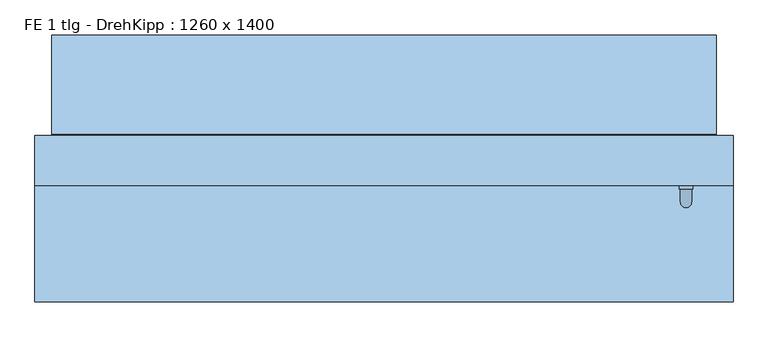
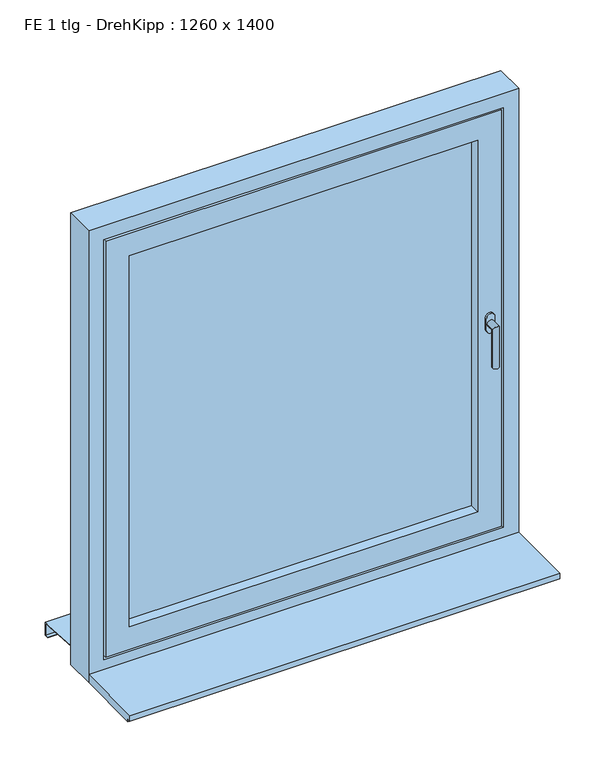
"""IFC4 building model written with IfcOpenShell, lengths in millimetres: window geometry, FE 1 tlg - DrehKipp : 1260 x 1400."""

import ifcopenshell
import ifcopenshell.guid

model = None  # the IFC model being written
_history = None  # IfcOwnerHistory: only IFC2X3 demands one
_inside = {}  # id of a spatial element -> (the spatial element, [elements in it])
_under = {}  # id of a project, library or spatial element -> (it, [spatial elements below it])
_declared = {}  # id of a project -> (the project, [libraries it declares])
_typed = {}  # id of a type object -> (the type object, [elements of that type])
_made_of = {}  # id of a material, layer set ... -> (it, [elements and type objects made of it])


def new_model(schema):
    """Start an empty IFC model of exactly this schema.

    Asked for "IFC4X3", IfcOpenShell would pick the latest addendum, in which some entities
    have other attributes; the version numbers below select the first issue.
    IFC2X3 requires an IfcOwnerHistory on every rooted entity: one is made here for all.
    """
    global model, _history
    if schema == "IFC4X3":
        model = ifcopenshell.file(schema_version=(4, 3, 0, 0))
    else:
        model = ifcopenshell.file(schema=schema)
    _inside.clear()
    _under.clear()
    _declared.clear()
    _typed.clear()
    _made_of.clear()
    _history = None
    if model.schema == "IFC2X3":
        org = make("IfcOrganization", Name="unknown")
        user = make(
            "IfcPersonAndOrganization",
            ThePerson=make("IfcPerson", FamilyName="unknown"),
            TheOrganization=org,
        )
        app = make(
            "IfcApplication",
            ApplicationDeveloper=org,
            Version="unknown",
            ApplicationFullName="unknown",
            ApplicationIdentifier="unknown",
        )
        _history = make(
            "IfcOwnerHistory",
            OwningUser=user,
            OwningApplication=app,
            ChangeAction="ADDED",
            CreationDate=0,
        )
    return model


def make(cls, **values):
    """One entity of the class cls with the attributes given. An attribute that is None is left unset."""
    return model.create_entity(
        cls, **{name: value for name, value in values.items() if value is not None}
    )


def rooted(cls, **values):
    """An entity with a GlobalId (a new one), such as an element, a storey or a relation."""
    return make(cls, GlobalId=ifcopenshell.guid.new(), OwnerHistory=_history, **values)


def si_unit(unit_type, name, prefix=None):
    """IfcSIUnit, for example si_unit("LENGTHUNIT", "METRE", prefix="MILLI")."""
    return make("IfcSIUnit", UnitType=unit_type, Prefix=prefix, Name=name)


def assignment(units):
    """IfcUnitAssignment: the units of a project."""
    return None if units is None else make("IfcUnitAssignment", Units=units)


def point(xyz):
    """IfcCartesianPoint."""
    return None if xyz is None else make("IfcCartesianPoint", Coordinates=xyz)


def direction(xyz):
    """IfcDirection."""
    return None if xyz is None else make("IfcDirection", DirectionRatios=xyz)


def frame(location, z_axis=None, x_axis=None):
    """IfcAxis2Placement3D, a coordinate frame: its origin and axes. An axis left out is left unset."""
    return make(
        "IfcAxis2Placement3D",
        Location=point(location),
        Axis=direction(z_axis),
        RefDirection=direction(x_axis),
    )


def origin():
    """The frame at (0, 0, 0) with its axes left unset."""
    return frame((0.0, 0.0, 0.0))


def place(relative_to, where):
    """IfcLocalPlacement: puts the frame where relative to a parent placement (None: the world)."""
    return make(
        "IfcLocalPlacement", PlacementRelTo=relative_to, RelativePlacement=where
    )


def context(
    kind, dimensions, precision=None, world=None, true_north=None, identifier=None
):
    """IfcGeometricRepresentationContext, for example the 3D "Model" context."""
    return make(
        "IfcGeometricRepresentationContext",
        ContextIdentifier=identifier,
        ContextType=kind,
        CoordinateSpaceDimension=dimensions,
        Precision=precision,
        WorldCoordinateSystem=world,
        TrueNorth=true_north,
    )


def project(units=None, contexts=None):
    """IfcProject with its units and contexts."""
    return rooted(
        "IfcProject",
        Name="project",
        RepresentationContexts=contexts,
        UnitsInContext=assignment(units),
    )


def spatial(cls, under=None, at=None, **own):
    """A site, building, storey or space (cls), placed at a placement, below another one or the project."""
    s = rooted(cls, ObjectPlacement=at, **own)
    if under is not None:
        _under.setdefault(under.id(), (under, []))[1].append(s)
    return s


def polyline(points):
    """IfcPolyline through the points."""
    return make("IfcPolyline", Points=[point(p) for p in points])


def circle_curve(where, radius):
    """IfcCircle in the frame where."""
    return make("IfcCircle", Position=where, Radius=radius)


def ellipse_curve(where, semi_axis1, semi_axis2):
    """IfcEllipse in the frame where."""
    return make(
        "IfcEllipse", Position=where, SemiAxis1=semi_axis1, SemiAxis2=semi_axis2
    )


def outline(outer, holes=None, kind="AREA"):
    """IfcArbitraryClosedProfileDef: a profile drawn as a closed curve; with holes, ...WithVoids."""
    if holes is None:
        return make("IfcArbitraryClosedProfileDef", ProfileType=kind, OuterCurve=outer)
    return make(
        "IfcArbitraryProfileDefWithVoids",
        ProfileType=kind,
        OuterCurve=outer,
        InnerCurves=holes,
    )


def extrude(swept, where, along, depth):
    """IfcExtrudedAreaSolid: the profile swept, set in the frame where, extruded along a direction by depth."""
    return make(
        "IfcExtrudedAreaSolid",
        SweptArea=swept,
        Position=where,
        ExtrudedDirection=direction(along),
        Depth=depth,
    )


def faces_of(points, faces, orient=None, outer=None):
    """IfcFace entities. A face is a list of loops; a loop is a list of indices into points, from 0.

    orient and outer hold one flag for each loop. By default every Orientation is true, the
    first loop of a face is its IfcFaceOuterBound and the others are IfcFaceBound.
    """
    made = []
    for i, loops in enumerate(faces):
        bounds = []
        for j, loop in enumerate(loops):
            is_outer = j == 0 if outer is None else outer[i][j]
            bounds.append(
                make(
                    "IfcFaceOuterBound" if is_outer else "IfcFaceBound",
                    Bound=make("IfcPolyLoop", Polygon=[points[k] for k in loop]),
                    Orientation=True if orient is None else orient[i][j],
                )
            )
        made.append(make("IfcFace", Bounds=bounds))
    return made


def faceted_brep(points, faces, orient=None, outer=None, voids=None):
    """IfcFacetedBrep: a solid bounded by flat faces; with voids (closed shells), ...WithVoids."""
    shared = [point(p) for p in points]
    hull = make("IfcClosedShell", CfsFaces=faces_of(shared, faces, orient, outer))
    if voids is None:
        return make("IfcFacetedBrep", Outer=hull)
    return make(
        "IfcFacetedBrepWithVoids",
        Outer=hull,
        Voids=[
            make(cls, CfsFaces=faces_of(shared, fs, o, b)) for cls, fs, o, b in voids
        ],
    )


def shape(context_of_items, identifier, shape_type, items):
    """IfcShapeRepresentation: the items that make up one representation, for example the "Body"."""
    return make(
        "IfcShapeRepresentation",
        ContextOfItems=context_of_items,
        RepresentationIdentifier=identifier,
        RepresentationType=shape_type,
        Items=items,
    )


def source(mapping_origin, context_of_items, identifier, shape_type, items):
    """IfcRepresentationMap: a shape defined once, which mapped items show again and again."""
    return make(
        "IfcRepresentationMap",
        MappingOrigin=mapping_origin,
        MappedRepresentation=shape(context_of_items, identifier, shape_type, items),
    )


def transform(
    local_origin,
    x_axis=None,
    y_axis=None,
    z_axis=None,
    scale=None,
    scale2=None,
    scale3=None,
    uniform=True,
):
    """IfcCartesianTransformationOperator3D, or its non-uniform kind. x_axis, y_axis, z_axis: its Axis1, 2, 3."""
    if uniform:
        return make(
            "IfcCartesianTransformationOperator3D",
            Axis1=direction(x_axis),
            Axis2=direction(y_axis),
            LocalOrigin=point(local_origin),
            Scale=scale,
            Axis3=direction(z_axis),
        )
    return make(
        "IfcCartesianTransformationOperator3DnonUniform",
        Axis1=direction(x_axis),
        Axis2=direction(y_axis),
        LocalOrigin=point(local_origin),
        Scale=scale,
        Axis3=direction(z_axis),
        Scale2=scale2,
        Scale3=scale3,
    )


def mapped(mapping_source, mapping_target):
    """IfcMappedItem: shows the shape of a source again, moved by a transform."""
    return make(
        "IfcMappedItem", MappingSource=mapping_source, MappingTarget=mapping_target
    )


def made_of(thing, what):
    """Note that an element or type object is made of a material, layer set ...; save() writes the relation."""
    if what is not None:
        _made_of.setdefault(what.id(), (what, []))[1].append(thing)
    return thing


def element(
    cls,
    number,
    at=None,
    inside=None,
    cuts=None,
    type_object=None,
    material=None,
    context=None,
    identifier="Body",
    shape_type=None,
    held_by="IfcProductDefinitionShape",
    body=None,
    shapes=None,
    **own,
):
    """One element of the class cls, such as IfcWall. Its Tag is "e" and its number.

    at: its placement. inside: the storey or other place that contains it. cuts: it is an
    opening in that element (IfcRelVoidsElement). A single representation is given by context,
    identifier, shape_type and body (its items); several are given by shapes. held_by: the class
    of the entity that holds the representations. save() writes the other relations.
    """
    e = rooted(cls, Tag="e%d" % number, ObjectPlacement=at, **own)
    if body is not None:
        shapes = [shape(context, identifier, shape_type, body)]
    if shapes is not None:
        e.Representation = make(held_by, Representations=shapes)
    if inside is not None:
        _inside.setdefault(inside.id(), (inside, []))[1].append(e)
    if cuts is not None:
        rooted(
            "IfcRelVoidsElement", RelatingBuildingElement=cuts, RelatedOpeningElement=e
        )
    if type_object is not None:
        _typed.setdefault(type_object.id(), (type_object, []))[1].append(e)
    return made_of(e, material)


def aggregate(whole, parts):
    """IfcRelAggregates: a whole, such as a stair, and the parts it consists of."""
    return rooted("IfcRelAggregates", RelatingObject=whole, RelatedObjects=parts)


def save(model, path):
    """Write the relations noted so far, then the file.

    IfcRelAggregates (storeys below a building ...), IfcRelContainedInSpatialStructure (elements
    in a storey), IfcRelDefinesByType, IfcRelAssociatesMaterial and IfcRelDeclares: one each for
    every whole, place, type object, material and project.
    """
    for whole, parts in _under.values():
        aggregate(whole, parts)
    for where, things in _inside.values():
        rooted(
            "IfcRelContainedInSpatialStructure",
            RelatedElements=things,
            RelatingStructure=where,
        )
    for kind, things in _typed.values():
        rooted("IfcRelDefinesByType", RelatedObjects=things, RelatingType=kind)
    for what, things in _made_of.values():
        rooted("IfcRelAssociatesMaterial", RelatedObjects=things, RelatingMaterial=what)
    for by, libraries in _declared.values():
        rooted("IfcRelDeclares", RelatingContext=by, RelatedDefinitions=libraries)
    model.write(path)


def plane_surface(at):
    """IfcPlane: the flat surface through the origin of the frame at, square to its z axis."""
    return make("IfcPlane", Position=at)


def cylinder_surface(at, radius):
    """IfcCylindricalSurface: all points at the distance radius from the z axis of the frame at."""
    return make("IfcCylindricalSurface", Position=at, Radius=radius)


def advanced_brep(points, edges, surfaces, faces):
    """IfcAdvancedBrep: a solid bounded by faces that lie on surfaces and meet in shared edges.

    An edge is (start, end): straight between two places in points (the first is 0);
    or (start, end, curve); or (start, end, curve, False) where it runs against its curve.
    A face is (place in surfaces, loops), or (place, loops, False) where it looks against
    its surface's normal. A loop lists edges by number (the first is 1), with a minus sign
    where the edge is run from its end to its start. The first loop is the outer one.
    """
    corners = [point(p) for p in points]
    vertices = [make("IfcVertexPoint", VertexGeometry=c) for c in corners]
    made = []
    for start, end, *more in edges:
        made.append(
            make(
                "IfcEdgeCurve",
                EdgeStart=vertices[start],
                EdgeEnd=vertices[end],
                EdgeGeometry=more[0] if more else make("IfcPolyline", Points=[corners[start], corners[end]]),
                SameSense=more[1] if len(more) > 1 else True,
            )
        )
    hull = []
    for where, loops, *sense in faces:
        bounds = []
        for j, loop in enumerate(loops):
            ring = [make("IfcOrientedEdge", EdgeElement=made[abs(k) - 1], Orientation=k > 0) for k in loop]
            bounds.append(
                make(
                    "IfcFaceOuterBound" if j == 0 else "IfcFaceBound",
                    Bound=make("IfcEdgeLoop", EdgeList=ring),
                    Orientation=True,
                )
            )
        hull.append(make("IfcAdvancedFace", Bounds=bounds, FaceSurface=surfaces[where], SameSense=sense[0] if sense else True))
    return make("IfcAdvancedBrep", Outer=make("IfcClosedShell", CfsFaces=hull))


def fe_1_tlg_drehkipp_1260_x_1400_df71b33a(model_context):
    return source(origin(), model_context, "Body", "SolidModel", [
        advanced_brep(
        [(532.5, -20.0, 1572.5), (557.5, -20.0, 1572.5), (557.5, -20.0, 1555.0), (557.5, -20.0, 1537.5), (532.5, -20.0, 1537.5), (532.5, -20.0, 1555.0), (555.0, -50.0, 1555.0), (555.0, -26.0, 1555.0), (535.0, -26.0, 1555.0), (535.0, -50.0, 1555.0), (555.0, -50.0, 1435.0), (535.0, -50.0, 1435.0), (532.5, -26.0, 1572.5), (532.5, -26.0, 1555.0), (532.5, -26.0, 1537.5), (557.5, -26.0, 1537.5), (557.5, -26.0, 1555.0), (557.5, -26.0, 1572.5)],
        [
            (0, 1, circle_curve(frame((545.0, -20.0, 1572.5), z_axis=(0.0, 1.0, 0.0), x_axis=(-1.0, 0.0, 0.0)), 12.5)),
            (1, 2),
            (2, 3),
            (3, 4, circle_curve(frame((545.0, -20.0, 1537.5), z_axis=(0.0, 1.0, 0.0), x_axis=(-1.0, 0.0, 0.0)), 12.5)),
            (4, 5),
            (5, 0),
            (6, 7),
            (7, 8, circle_curve(frame((545.0, -26.0, 1555.0), z_axis=(0.0, -1.0, 0.0), x_axis=(-1.0, 0.0, 0.0)), 10.0)),
            (8, 9),
            (9, 6, ellipse_curve(frame((545.0, -50.0, 1555.0), z_axis=(0.0, 0.7071067811865498, 0.7071067811865451), x_axis=(0.0, 0.7071067811865452, -0.7071067811865497)), 14.1421356, 10.0)),
            (8, 7, circle_curve(frame((545.0, -26.0, 1555.0), z_axis=(0.0, -1.0, 0.0), x_axis=(-1.0, 0.0, 0.0)), 10.0)),
            (6, 9, ellipse_curve(frame((545.0, -50.0, 1555.0), z_axis=(0.0, 0.7071067811865498, 0.7071067811865451), x_axis=(0.0, 0.7071067811865452, -0.7071067811865497)), 14.1421356, 10.0)),
            (10, 11, circle_curve(frame((545.0, -50.0, 1435.0), z_axis=(0.0, 0.0, -1.0), x_axis=(-1.0, 0.0, 0.0)), 10.0)),
            (11, 10, circle_curve(frame((545.0, -50.0, 1435.0), z_axis=(0.0, 0.0, -1.0), x_axis=(-1.0, 0.0, 0.0)), 10.0)),
            (9, 11),
            (10, 6),
            (12, 13),
            (13, 14),
            (14, 15, circle_curve(frame((545.0, -26.0, 1537.5), z_axis=(0.0, -1.0, 0.0), x_axis=(-1.0, 0.0, 0.0)), 12.5)),
            (15, 16),
            (16, 17),
            (17, 12, circle_curve(frame((545.0, -26.0, 1572.5), z_axis=(0.0, -1.0, 0.0), x_axis=(-1.0, 0.0, 0.0)), 12.5)),
            (17, 1),
            (0, 12),
            (16, 2),
            (15, 3),
            (14, 4),
            (13, 5),
        ],
        [
            plane_surface(frame((545.0, -20.0, 1555.0), z_axis=(0.0, 1.0, 0.0), x_axis=(-1.0, 0.0, 0.0))),
            cylinder_surface(frame((545.0, -20.0, 1555.0), z_axis=(0.0, 1.0, 0.0), x_axis=(-1.0, 0.0, 0.0)), 10.0),
            plane_surface(frame((545.0, -50.0, 1435.0), z_axis=(0.0, 0.0, -1.0), x_axis=(-1.0, 0.0, 0.0))),
            cylinder_surface(frame((545.0, -50.0, 1555.0), z_axis=(0.0, 0.0, 1.0), x_axis=(-1.0, 0.0, 0.0)), 10.0),
            plane_surface(frame((532.5, -26.0, 1572.5), z_axis=(0.0, -1.0, 0.0), x_axis=(0.0, 0.0, 1.0))),
            cylinder_surface(frame((545.0, -20.0, 1572.5), z_axis=(0.0, -1.0, 0.0), x_axis=(-1.0, 0.0, 0.0)), 12.5),
            plane_surface(frame((557.5, -26.0, 1572.5), z_axis=(1.0, 0.0, 0.0), x_axis=(0.0, 1.0, 0.0))),
            plane_surface(frame((557.5, -26.0, 1555.0), z_axis=(1.0, 0.0, 0.0), x_axis=(0.0, 1.0, 0.0))),
            cylinder_surface(frame((545.0, -20.0, 1537.5), z_axis=(0.0, -1.0, 0.0), x_axis=(-1.0, 0.0, 0.0)), 12.5),
            plane_surface(frame((532.5, -26.0, 1537.5), z_axis=(-1.0, 0.0, 0.0), x_axis=(0.0, 1.0, 0.0))),
            plane_surface(frame((532.5, -26.0, 1555.0), z_axis=(-1.0, 0.0, 0.0), x_axis=(0.0, 1.0, 0.0))),
        ],
        [
            (0, [[1, 2, 3, 4, 5, 6]]),
            (1, [[7, 8, 9, 10]]),
            (1, [[-9, 11, -7, 12]]),
            (2, [[13, 14]]),
            (3, [[15, -13, 16, -10]]),
            (3, [[-16, -14, -15, -12]]),
            (4, [[17, 18, 19, 20, 21, 22], [-11, -8]]),
            (5, [[23, -1, 24, -22]]),
            (6, [[25, -2, -23, -21]]),
            (7, [[26, -3, -25, -20]]),
            (8, [[27, -4, -26, -19]]),
            (9, [[28, -5, -27, -18]]),
            (10, [[-24, -6, -28, -17]]),
        ],
    ),
        faceted_brep([(-510.0, -20.0, 2130.0), (-510.0, -20.0, 980.0), (-510.0, 70.0, 980.0), (-510.0, 70.0, 2130.0), (-540.0, 70.0, 950.0), (-540.0, 70.0, 2160.0), (540.0, 70.0, 2160.0), (540.0, 70.0, 950.0), (510.0, 70.0, 980.0), (510.0, 70.0, 2130.0), (510.0, -20.0, 980.0), (-580.0, -20.0, 2200.0), (-580.0, -20.0, 910.0), (580.0, -20.0, 910.0), (580.0, -20.0, 2200.0), (510.0, -20.0, 2130.0), (-580.0, -5.0, 2200.0), (-580.0, -5.0, 910.0), (580.0, -5.0, 910.0), (580.0, -5.0, 2200.0), (-565.0, -5.0, 2185.0), (-565.0, -5.0, 925.0), (565.0, -5.0, 925.0), (565.0, -5.0, 2185.0), (-565.0, 25.0, 2185.0), (-565.0, 25.0, 925.0), (565.0, 25.0, 925.0), (565.0, 25.0, 2185.0), (-555.0, 25.0, 2175.0), (-555.0, 25.0, 935.0), (555.0, 25.0, 935.0), (555.0, 25.0, 2175.0), (-555.0, 55.0, 2175.0), (-555.0, 55.0, 935.0), (555.0, 55.0, 935.0), (555.0, 55.0, 2175.0), (-540.0, 55.0, 2160.0), (-540.0, 55.0, 950.0), (540.0, 55.0, 950.0), (540.0, 55.0, 2160.0)], [[[0, 1, 2, 3]], [[4, 5, 6, 7], [3, 2, 8, 9]], [[1, 10, 8, 2]], [[11, 12, 13, 14], [1, 0, 15, 10]], [[16, 17, 12, 11]], [[17, 18, 13, 12]], [[17, 16, 19, 18], [20, 21, 22, 23]], [[24, 25, 21, 20]], [[25, 26, 22, 21]], [[25, 24, 27, 26], [28, 29, 30, 31]], [[32, 33, 29, 28]], [[33, 34, 30, 29]], [[33, 32, 35, 34], [36, 37, 38, 39]], [[5, 4, 37, 36]], [[4, 7, 38, 37]], [[10, 15, 9, 8]], [[18, 19, 14, 13]], [[26, 27, 23, 22]], [[34, 35, 31, 30]], [[7, 6, 39, 38]], [[15, 0, 3, 9]], [[19, 16, 11, 14]], [[27, 24, 20, 23]], [[35, 32, 28, 31]], [[6, 5, 36, 39]]]),
        extrude(outline(polyline([(-510.0, 55.0), (510.0, 55.0), (510.0, 11.0), (-510.0, 11.0), (-510.0, 55.0)])), frame((0.0, 0.0, 980.0), z_axis=(0.0, 0.0, 1.0), x_axis=(1.0, 0.0, 0.0)), (0.0, 0.0, 1.0), 1150.0),
        faceted_brep([(-600.0, 252.0, 860.6252434), (-600.0, 230.0, 862.0002434), (-600.0, 72.0, 871.8752434), (600.0, 72.0, 871.8752434), (600.0, 230.0, 862.0002434), (600.0, 252.0, 860.6252434), (-600.0, 252.0, 820.6252434), (600.0, 252.0, 820.6252434), (-600.0, 240.0, 820.6252434), (600.0, 240.0, 820.6252434), (-600.0, 240.0, 822.6252434), (600.0, 240.0, 822.6252434), (-600.0, 250.0, 822.6252434), (600.0, 250.0, 822.6252434), (-600.0, 250.0, 858.75), (600.0, 250.0, 858.75), (-600.0, 230.0, 860.0), (600.0, 230.0, 860.0), (600.0, 70.0, 870.0), (-600.0, 70.0, 870.0), (-600.0, 70.0, 890.0), (600.0, 70.0, 890.0), (-600.0, 72.0, 890.0), (600.0, 72.0, 890.0)], [[[0, 1, 2, 3, 4, 5]], [[6, 0, 5, 7]], [[8, 6, 7, 9]], [[10, 8, 9, 11]], [[12, 10, 11, 13]], [[14, 12, 13, 15]], [[16, 14, 15, 17, 18, 19]], [[20, 19, 18, 21]], [[22, 20, 21, 23]], [[2, 22, 23, 3]], [[16, 1, 0, 6, 8, 10, 12, 14]], [[17, 4, 3, 23, 21, 18]], [[1, 16, 19, 20, 22, 2]], [[4, 17, 15, 13, 11, 9, 7, 5]]]),
        faceted_brep([(630.0, 70.0, 850.0), (630.0, -20.0, 850.0), (-630.0, -20.0, 850.0), (-630.0, 70.0, 850.0), (630.0, 70.0, 2250.0), (630.0, -20.0, 2250.0), (-630.0, -20.0, 2250.0), (585.0, -20.0, 2205.0), (585.0, -20.0, 905.0), (-585.0, -20.0, 905.0), (-585.0, -20.0, 2205.0), (-630.0, 70.0, 2250.0), (545.0, 70.0, 945.0), (545.0, 70.0, 2165.0), (-545.0, 70.0, 2165.0), (-545.0, 70.0, 945.0), (545.0, 55.0, 945.0), (545.0, 55.0, 2165.0), (-545.0, 55.0, 945.0), (-545.0, 55.0, 2165.0), (585.0, -5.0, 2205.0), (585.0, -5.0, 905.0), (-585.0, -5.0, 905.0), (-585.0, -5.0, 2205.0), (570.0, -5.0, 2190.0), (570.0, -5.0, 920.0), (-570.0, -5.0, 920.0), (-570.0, -5.0, 2190.0), (570.0, 25.0, 920.0), (570.0, 25.0, 2190.0), (-570.0, 25.0, 2190.0), (-570.0, 25.0, 920.0), (560.0, 25.0, 2180.0), (560.0, 25.0, 930.0), (-560.0, 25.0, 930.0), (-560.0, 25.0, 2180.0), (560.0, 55.0, 930.0), (560.0, 55.0, 2180.0), (-560.0, 55.0, 2180.0), (-560.0, 55.0, 930.0)], [[[0, 1, 2, 3]], [[4, 5, 1, 0]], [[5, 6, 2, 1], [7, 8, 9, 10]], [[6, 11, 3, 2]], [[11, 4, 0, 3], [12, 13, 14, 15]], [[12, 16, 17, 13]], [[18, 15, 14, 19]], [[16, 12, 15, 18]], [[20, 21, 8, 7]], [[8, 21, 22, 9]], [[9, 22, 23, 10]], [[21, 20, 23, 22], [24, 25, 26, 27]], [[28, 29, 30, 31], [32, 33, 34, 35]], [[29, 28, 25, 24]], [[25, 28, 31, 26]], [[36, 37, 38, 39], [17, 16, 18, 19]], [[37, 36, 33, 32]], [[33, 36, 39, 34]], [[26, 31, 30, 27]], [[34, 39, 38, 35]], [[4, 11, 6, 5]], [[20, 7, 10, 23]], [[29, 24, 27, 30]], [[37, 32, 35, 38]], [[13, 17, 19, 14]]]),
        extrude(outline(polyline([(-230.0, 875.0), (-20.0, 875.0), (-20.0, 850.0), (-220.0, 850.0), (-220.0, 857.0), (-230.0, 857.0), (-230.0, 875.0)])), frame((-630.0, 0.0, 0.0), z_axis=(1.0, 0.0, 0.0), x_axis=(0.0, 1.0, 0.0)), (0.0, 0.0, 1.0), 1260.0),
    ])


if __name__ == "__main__":
    model = new_model("IFC4")
    model_context = context("Model", 3, world=origin())
    ifc_project = project(units=[si_unit("LENGTHUNIT", "METRE", prefix="MILLI")], contexts=[model_context])
    site = spatial("IfcSite", under=ifc_project)
    building = spatial("IfcBuilding", under=site)
    placement = place(None, origin())
    fe_1_tlg_drehkipp_1260_x_1400_shape = fe_1_tlg_drehkipp_1260_x_1400_df71b33a(model_context)
    element("IfcWindow", 1, ObjectType="FE 1 tlg - DrehKipp : 1260 x 1400", at=placement, inside=building, context=model_context, shape_type="MappedRepresentation", body=[
        mapped(fe_1_tlg_drehkipp_1260_x_1400_shape, transform((0.0, 0.0, 0.0), x_axis=(1.0, 0.0, 0.0), y_axis=(0.0, 1.0, 0.0), z_axis=(0.0, 0.0, 1.0))),
    ])
    save(model, "model.ifc")
